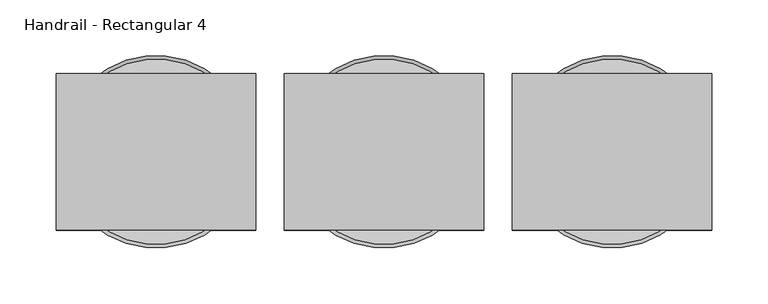
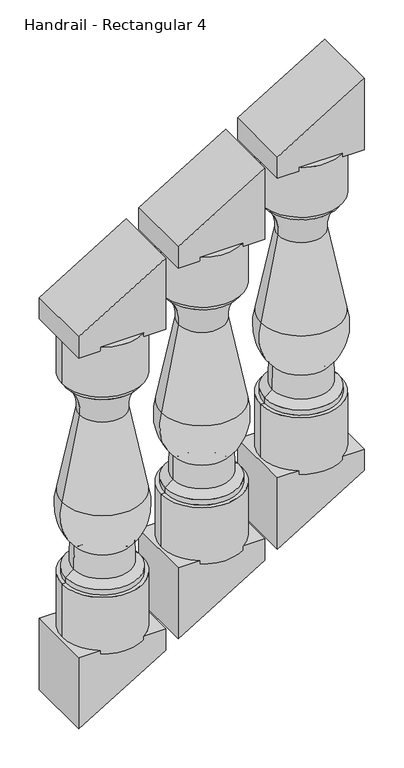
"""IFC4 building model written with IfcOpenShell, lengths in millimetres: railing geometry, Handrail - Rectangular 4."""

from ifc_helpers import new_model, si_unit, point, frame, origin, place, context, project, spatial, polyline, circle_curve, ellipse_curve, trimmed, outline, extrude, source, transform, mapped, element, save
from ifc_brep_helpers import plane_surface, cylinder_surface, revolved_surface, advanced_brep


def handrail_rectangular_4_807c8b89(model_context):
    return source(origin(), model_context, "Body", "SolidModel", [
        advanced_brep(
        [(11362.5527138, 4021.0919589, 1344.1295479), (11527.6527138, 4021.0919589, 1344.1295479), (11445.1027138, 4021.0919589, 1344.1295479), (11362.5527138, 4021.0919589, 1236.1795479), (11527.6527138, 4021.0919589, 1236.1795479), (11370.4902138, 4021.0919589, 1236.1795479), (11519.7152138, 4021.0919589, 1236.1795479), (11370.4902138, 4021.0919589, 1225.0670479), (11519.7152138, 4021.0919589, 1225.0670479), (11398.2714638, 4021.0919589, 1156.8045479), (11491.9339638, 4021.0919589, 1156.8045479), (11363.3464638, 4021.0919589, 979.0045479), (11526.8589638, 4021.0919589, 979.0045479), (11387.1589638, 4021.0919589, 877.4045479), (11503.0464638, 4021.0919589, 877.4045479), (11386.3652138, 4021.0919589, 826.6045479), (11503.8402138, 4021.0919589, 826.6045479), (11370.4902138, 4021.0919589, 813.9045479), (11519.7152138, 4021.0919589, 813.9045479), (11370.4902138, 4021.0919589, 802.7920479), (11519.7152138, 4021.0919589, 802.7920479), (11362.5527138, 4021.0919589, 802.7920479), (11527.6527138, 4021.0919589, 802.7920479), (11362.5527138, 4021.0919589, 680.5545479), (11527.6527138, 4021.0919589, 680.5545479), (11445.1027138, 4021.0919589, 680.5545479)],
        [
            (0, 1, circle_curve(frame((11445.1027138, 4021.0919589, 1344.1295479), z_axis=(0.0, 0.0, 1.0), x_axis=(1.0, 0.0, 0.0)), 82.55)),
            (1, 2),
            (2, 0),
            (1, 0, circle_curve(frame((11445.1027138, 4021.0919589, 1344.1295479), z_axis=(0.0, 0.0, 1.0), x_axis=(1.0, 0.0, 0.0)), 82.55)),
            (3, 4, circle_curve(frame((11445.1027138, 4021.0919589, 1236.1795479), z_axis=(0.0, 0.0, 1.0), x_axis=(1.0, 0.0, 0.0)), 82.55)),
            (4, 1),
            (0, 3),
            (4, 3, circle_curve(frame((11445.1027138, 4021.0919589, 1236.1795479), z_axis=(0.0, 0.0, 1.0), x_axis=(1.0, 0.0, 0.0)), 82.55)),
            (5, 6, circle_curve(frame((11445.1027138, 4021.0919589, 1236.1795479), z_axis=(0.0, 0.0, 1.0), x_axis=(1.0, 0.0, 0.0)), 74.6125)),
            (6, 4),
            (3, 5),
            (6, 5, circle_curve(frame((11445.1027138, 4021.0919589, 1236.1795479), z_axis=(0.0, 0.0, 1.0), x_axis=(1.0, 0.0, 0.0)), 74.6125)),
            (7, 8, circle_curve(frame((11445.1027138, 4021.0919589, 1225.0670479), z_axis=(0.0, 0.0, 1.0), x_axis=(1.0, 0.0, 0.0)), 74.6125)),
            (8, 6),
            (5, 7),
            (8, 7, circle_curve(frame((11445.1027138, 4021.0919589, 1225.0670479), z_axis=(0.0, 0.0, 1.0), x_axis=(1.0, 0.0, 0.0)), 74.6125)),
            (9, 10, circle_curve(frame((11445.1027138, 4021.0919589, 1156.8045479), z_axis=(0.0, 0.0, 1.0), x_axis=(1.0, 0.0, 0.0)), 46.83125)),
            (10, 8, circle_curve(frame((11571.1079484, 4021.0919589, 1164.3669887), z_axis=(0.0, 1.0, 0.0), x_axis=(-1.0, 0.0, 0.0)), 79.5343344)),
            (7, 9, circle_curve(frame((11319.0974791, 4021.0919589, 1164.3669887), z_axis=(0.0, 1.0, 0.0), x_axis=(1.0, 0.0, 0.0)), 79.5343344)),
            (10, 9, circle_curve(frame((11445.1027138, 4021.0919589, 1156.8045479), z_axis=(0.0, 0.0, 1.0), x_axis=(1.0, 0.0, 0.0)), 46.83125)),
            (11, 12, circle_curve(frame((11445.1027138, 4021.0919589, 979.0045479), z_axis=(0.0, 0.0, 1.0), x_axis=(1.0, 0.0, 0.0)), 81.75625)),
            (12, 10, circle_curve(frame((12406.8924187, 4021.0919589, 1244.1983961), z_axis=(0.0, 1.0, 0.0), x_axis=(-1.0, 0.0, 0.0)), 919.122766)),
            (9, 11, circle_curve(frame((10483.3130088, 4021.0919589, 1244.1983961), z_axis=(0.0, 1.0, 0.0), x_axis=(1.0, 0.0, 0.0)), 919.122766)),
            (12, 11, circle_curve(frame((11445.1027138, 4021.0919589, 979.0045479), z_axis=(0.0, 0.0, 1.0), x_axis=(1.0, 0.0, 0.0)), 81.75625)),
            (13, 14, circle_curve(frame((11445.1027138, 4021.0919589, 877.4045479), z_axis=(0.0, 0.0, 1.0), x_axis=(1.0, 0.0, 0.0)), 57.94375)),
            (14, 12, circle_curve(frame((11426.8244151, 4021.0919589, 948.8596178), z_axis=(0.0, -1.0, 0.0), x_axis=(-1.0, 0.0, 0.0)), 104.4778815)),
            (11, 13, circle_curve(frame((11463.3810124, 4021.0919589, 948.8596178), z_axis=(0.0, -1.0, 0.0), x_axis=(1.0, 0.0, 0.0)), 104.4778815)),
            (14, 13, circle_curve(frame((11445.1027138, 4021.0919589, 877.4045479), z_axis=(0.0, 0.0, 1.0), x_axis=(1.0, 0.0, 0.0)), 57.94375)),
            (15, 16, circle_curve(frame((11445.1027138, 4021.0919589, 826.6045479), z_axis=(0.0, 0.0, 1.0), x_axis=(1.0, 0.0, 0.0)), 58.7375)),
            (16, 14),
            (13, 15),
            (16, 15, circle_curve(frame((11445.1027138, 4021.0919589, 826.6045479), z_axis=(0.0, 0.0, 1.0), x_axis=(1.0, 0.0, 0.0)), 58.7375)),
            (17, 18, circle_curve(frame((11445.1027138, 4021.0919589, 813.9045479), z_axis=(0.0, 0.0, 1.0), x_axis=(1.0, 0.0, 0.0)), 74.6125)),
            (18, 16),
            (15, 17),
            (18, 17, circle_curve(frame((11445.1027138, 4021.0919589, 813.9045479), z_axis=(0.0, 0.0, 1.0), x_axis=(1.0, 0.0, 0.0)), 74.6125)),
            (19, 20, circle_curve(frame((11445.1027138, 4021.0919589, 802.7920479), z_axis=(0.0, 0.0, 1.0), x_axis=(1.0, 0.0, 0.0)), 74.6125)),
            (20, 18),
            (17, 19),
            (20, 19, circle_curve(frame((11445.1027138, 4021.0919589, 802.7920479), z_axis=(0.0, 0.0, 1.0), x_axis=(1.0, 0.0, 0.0)), 74.6125)),
            (21, 22, circle_curve(frame((11445.1027138, 4021.0919589, 802.7920479), z_axis=(0.0, 0.0, 1.0), x_axis=(1.0, 0.0, 0.0)), 82.55)),
            (22, 20),
            (19, 21),
            (22, 21, circle_curve(frame((11445.1027138, 4021.0919589, 802.7920479), z_axis=(0.0, 0.0, 1.0), x_axis=(1.0, 0.0, 0.0)), 82.55)),
            (23, 24, circle_curve(frame((11445.1027138, 4021.0919589, 680.5545479), z_axis=(0.0, 0.0, 1.0), x_axis=(1.0, 0.0, 0.0)), 82.55)),
            (24, 22),
            (21, 23),
            (24, 23, circle_curve(frame((11445.1027138, 4021.0919589, 680.5545479), z_axis=(0.0, 0.0, 1.0), x_axis=(1.0, 0.0, 0.0)), 82.55)),
            (25, 24),
            (23, 25),
        ],
        [
            plane_surface(frame((11445.1027138, 4021.0919589, 1344.1295479), z_axis=(0.0, 0.0, 1.0), x_axis=(1.0, 0.0, 0.0))),
            cylinder_surface(frame((11445.1027138, 4021.0919589, 1309.2045479), z_axis=(0.0, 0.0, -1.0), x_axis=(1.0, 0.0, 0.0)), 82.55),
            plane_surface(frame((11445.1027138, 4021.0919589, 1236.1795479), z_axis=(0.0, 0.0, -1.0), x_axis=(1.0, 0.0, 0.0))),
            cylinder_surface(frame((11445.1027138, 4021.0919589, 1309.2045479), z_axis=(0.0, 0.0, -1.0), x_axis=(1.0, 0.0, 0.0)), 74.6125),
            revolved_surface(trimmed(ellipse_curve(frame((11571.1079484, 4021.0919589, 1164.3669887), z_axis=(0.0, -1.0, 0.0), x_axis=(-1.0, 0.0, 0.0)), 79.5343344, 79.5343344), [point((11519.7152138, 4021.0919589, 1225.0670479))], [point((11491.9339638, 4021.0919589, 1156.8045479))], True, "CARTESIAN"), (11445.1027138, 4021.0919589, 1309.2045479), (0.0, 0.0, -1.0)),
            revolved_surface(trimmed(ellipse_curve(frame((12406.8924187, 4021.0919589, 1244.1983961), z_axis=(0.0, -1.0, 0.0), x_axis=(-1.0, 0.0, 0.0)), 919.122766, 919.122766), [point((11491.9339638, 4021.0919589, 1156.8045479))], [point((11526.8589638, 4021.0919589, 979.0045479))], True, "CARTESIAN"), (11445.1027138, 4021.0919589, 1309.2045479), (0.0, 0.0, -1.0)),
            revolved_surface(trimmed(ellipse_curve(frame((11426.8244151, 4021.0919589, 948.8596178), z_axis=(0.0, 1.0, 0.0), x_axis=(-1.0, 0.0, 0.0)), 104.4778815, 104.4778815), [point((11526.8589638, 4021.0919589, 979.0045479))], [point((11503.0464638, 4021.0919589, 877.4045479))], True, "CARTESIAN"), (11445.1027138, 4021.0919589, 1309.2045479), (0.0, 0.0, -1.0)),
            revolved_surface(polyline([(11503.0464638, 4021.0919589, 877.4045479), (11503.8402138, 4021.0919589, 826.6045479)]), (11445.1027138, 4021.0919589, 1309.2045479), (0.0, 0.0, -1.0)),
            revolved_surface(polyline([(11503.8402138, 4021.0919589, 826.6045479), (11519.7152138, 4021.0919589, 813.9045479)]), (11445.1027138, 4021.0919589, 1309.2045479), (0.0, 0.0, -1.0)),
            plane_surface(frame((11445.1027138, 4021.0919589, 802.7920479), z_axis=(0.0, 0.0, 1.0), x_axis=(1.0, 0.0, 0.0))),
            plane_surface(frame((11445.1027138, 4021.0919589, 680.5545479), z_axis=(0.0, 0.0, -1.0), x_axis=(1.0, 0.0, 0.0))),
        ],
        [
            (0, [[1, 2, 3]]),
            (0, [[4, -3, -2]]),
            (1, [[5, 6, -1, 7]]),
            (1, [[8, -7, -4, -6]]),
            (2, [[9, 10, -5, 11]]),
            (2, [[12, -11, -8, -10]]),
            (3, [[13, 14, -9, 15]]),
            (3, [[16, -15, -12, -14]]),
            (4, [[17, 18, -13, 19]]),
            (4, [[20, -19, -16, -18]]),
            (5, [[21, 22, -17, 23]]),
            (5, [[24, -23, -20, -22]]),
            (6, [[25, 26, -21, 27]]),
            (6, [[28, -27, -24, -26]]),
            (7, [[29, 30, -25, 31]]),
            (7, [[32, -31, -28, -30]]),
            (8, [[33, 34, -29, 35]]),
            (8, [[36, -35, -32, -34]]),
            (3, [[37, 38, -33, 39]]),
            (3, [[40, -39, -36, -38]]),
            (9, [[41, 42, -37, 43]]),
            (9, [[44, -43, -40, -42]]),
            (1, [[45, 46, -41, 47]]),
            (1, [[48, -47, -44, -46]]),
            (10, [[49, -45, 50]]),
            (10, [[-50, -48, -49]]),
        ],
    ),
        extrude(outline(polyline([(688.3496212, 11534.0027138), (688.3496212, 11356.2027138), (534.4583333, 11356.2027138), (642.2159091, 11534.0027138), (688.3496212, 11534.0027138)])), frame((0.0, 3951.2419589, 0.0), z_axis=(0.0, 1.0, 0.0), x_axis=(0.0, 0.0, 1.0)), (0.0, 0.0, 1.0), 139.7),
        extrude(outline(polyline([(1336.3344745, 11356.2027138), (1336.3344745, 11534.0027138), (1490.2257624, 11534.0027138), (1382.4681866, 11356.2027138), (1336.3344745, 11356.2027138)])), frame((0.0, 3951.2419589, 0.0), z_axis=(0.0, 1.0, 0.0), x_axis=(0.0, 0.0, 1.0)), (0.0, 0.0, 1.0), 139.7),
        advanced_brep(
        [(11159.3527138, 4021.0919589, 1220.9780327), (11324.4527138, 4021.0919589, 1220.9780327), (11241.9027138, 4021.0919589, 1220.9780327), (11159.3527138, 4021.0919589, 1113.0280327), (11324.4527138, 4021.0919589, 1113.0280327), (11167.2902138, 4021.0919589, 1113.0280327), (11316.5152138, 4021.0919589, 1113.0280327), (11167.2902138, 4021.0919589, 1101.9155327), (11316.5152138, 4021.0919589, 1101.9155327), (11195.0714638, 4021.0919589, 1033.6530327), (11288.7339638, 4021.0919589, 1033.6530327), (11160.1464638, 4021.0919589, 855.8530327), (11323.6589638, 4021.0919589, 855.8530327), (11183.9589638, 4021.0919589, 754.2530327), (11299.8464638, 4021.0919589, 754.2530327), (11183.1652138, 4021.0919589, 703.4530327), (11300.6402138, 4021.0919589, 703.4530327), (11167.2902138, 4021.0919589, 690.7530327), (11316.5152138, 4021.0919589, 690.7530327), (11167.2902138, 4021.0919589, 679.6405327), (11316.5152138, 4021.0919589, 679.6405327), (11159.3527138, 4021.0919589, 679.6405327), (11324.4527138, 4021.0919589, 679.6405327), (11159.3527138, 4021.0919589, 557.4030327), (11324.4527138, 4021.0919589, 557.4030327), (11241.9027138, 4021.0919589, 557.4030327)],
        [
            (0, 1, circle_curve(frame((11241.9027138, 4021.0919589, 1220.9780327), z_axis=(0.0, 0.0, 1.0), x_axis=(1.0, 0.0, 0.0)), 82.55)),
            (1, 2),
            (2, 0),
            (1, 0, circle_curve(frame((11241.9027138, 4021.0919589, 1220.9780327), z_axis=(0.0, 0.0, 1.0), x_axis=(1.0, 0.0, 0.0)), 82.55)),
            (3, 4, circle_curve(frame((11241.9027138, 4021.0919589, 1113.0280327), z_axis=(0.0, 0.0, 1.0), x_axis=(1.0, 0.0, 0.0)), 82.55)),
            (4, 1),
            (0, 3),
            (4, 3, circle_curve(frame((11241.9027138, 4021.0919589, 1113.0280327), z_axis=(0.0, 0.0, 1.0), x_axis=(1.0, 0.0, 0.0)), 82.55)),
            (5, 6, circle_curve(frame((11241.9027138, 4021.0919589, 1113.0280327), z_axis=(0.0, 0.0, 1.0), x_axis=(1.0, 0.0, 0.0)), 74.6125)),
            (6, 4),
            (3, 5),
            (6, 5, circle_curve(frame((11241.9027138, 4021.0919589, 1113.0280327), z_axis=(0.0, 0.0, 1.0), x_axis=(1.0, 0.0, 0.0)), 74.6125)),
            (7, 8, circle_curve(frame((11241.9027138, 4021.0919589, 1101.9155327), z_axis=(0.0, 0.0, 1.0), x_axis=(1.0, 0.0, 0.0)), 74.6125)),
            (8, 6),
            (5, 7),
            (8, 7, circle_curve(frame((11241.9027138, 4021.0919589, 1101.9155327), z_axis=(0.0, 0.0, 1.0), x_axis=(1.0, 0.0, 0.0)), 74.6125)),
            (9, 10, circle_curve(frame((11241.9027138, 4021.0919589, 1033.6530327), z_axis=(0.0, 0.0, 1.0), x_axis=(1.0, 0.0, 0.0)), 46.83125)),
            (10, 8, circle_curve(frame((11367.9079484, 4021.0919589, 1041.2154736), z_axis=(0.0, 1.0, 0.0), x_axis=(-1.0, 0.0, 0.0)), 79.5343344)),
            (7, 9, circle_curve(frame((11115.8974791, 4021.0919589, 1041.2154736), z_axis=(0.0, 1.0, 0.0), x_axis=(1.0, 0.0, 0.0)), 79.5343344)),
            (10, 9, circle_curve(frame((11241.9027138, 4021.0919589, 1033.6530327), z_axis=(0.0, 0.0, 1.0), x_axis=(1.0, 0.0, 0.0)), 46.83125)),
            (11, 12, circle_curve(frame((11241.9027138, 4021.0919589, 855.8530327), z_axis=(0.0, 0.0, 1.0), x_axis=(1.0, 0.0, 0.0)), 81.75625)),
            (12, 10, circle_curve(frame((12203.6924187, 4021.0919589, 1121.046881), z_axis=(0.0, 1.0, 0.0), x_axis=(-1.0, 0.0, 0.0)), 919.122766)),
            (9, 11, circle_curve(frame((10280.1130088, 4021.0919589, 1121.046881), z_axis=(0.0, 1.0, 0.0), x_axis=(1.0, 0.0, 0.0)), 919.122766)),
            (12, 11, circle_curve(frame((11241.9027138, 4021.0919589, 855.8530327), z_axis=(0.0, 0.0, 1.0), x_axis=(1.0, 0.0, 0.0)), 81.75625)),
            (13, 14, circle_curve(frame((11241.9027138, 4021.0919589, 754.2530327), z_axis=(0.0, 0.0, 1.0), x_axis=(1.0, 0.0, 0.0)), 57.94375)),
            (14, 12, circle_curve(frame((11223.6244151, 4021.0919589, 825.7081027), z_axis=(0.0, -1.0, 0.0), x_axis=(-1.0, 0.0, 0.0)), 104.4778815)),
            (11, 13, circle_curve(frame((11260.1810124, 4021.0919589, 825.7081027), z_axis=(0.0, -1.0, 0.0), x_axis=(1.0, 0.0, 0.0)), 104.4778815)),
            (14, 13, circle_curve(frame((11241.9027138, 4021.0919589, 754.2530327), z_axis=(0.0, 0.0, 1.0), x_axis=(1.0, 0.0, 0.0)), 57.94375)),
            (15, 16, circle_curve(frame((11241.9027138, 4021.0919589, 703.4530327), z_axis=(0.0, 0.0, 1.0), x_axis=(1.0, 0.0, 0.0)), 58.7375)),
            (16, 14),
            (13, 15),
            (16, 15, circle_curve(frame((11241.9027138, 4021.0919589, 703.4530327), z_axis=(0.0, 0.0, 1.0), x_axis=(1.0, 0.0, 0.0)), 58.7375)),
            (17, 18, circle_curve(frame((11241.9027138, 4021.0919589, 690.7530327), z_axis=(0.0, 0.0, 1.0), x_axis=(1.0, 0.0, 0.0)), 74.6125)),
            (18, 16),
            (15, 17),
            (18, 17, circle_curve(frame((11241.9027138, 4021.0919589, 690.7530327), z_axis=(0.0, 0.0, 1.0), x_axis=(1.0, 0.0, 0.0)), 74.6125)),
            (19, 20, circle_curve(frame((11241.9027138, 4021.0919589, 679.6405327), z_axis=(0.0, 0.0, 1.0), x_axis=(1.0, 0.0, 0.0)), 74.6125)),
            (20, 18),
            (17, 19),
            (20, 19, circle_curve(frame((11241.9027138, 4021.0919589, 679.6405327), z_axis=(0.0, 0.0, 1.0), x_axis=(1.0, 0.0, 0.0)), 74.6125)),
            (21, 22, circle_curve(frame((11241.9027138, 4021.0919589, 679.6405327), z_axis=(0.0, 0.0, 1.0), x_axis=(1.0, 0.0, 0.0)), 82.55)),
            (22, 20),
            (19, 21),
            (22, 21, circle_curve(frame((11241.9027138, 4021.0919589, 679.6405327), z_axis=(0.0, 0.0, 1.0), x_axis=(1.0, 0.0, 0.0)), 82.55)),
            (23, 24, circle_curve(frame((11241.9027138, 4021.0919589, 557.4030327), z_axis=(0.0, 0.0, 1.0), x_axis=(1.0, 0.0, 0.0)), 82.55)),
            (24, 22),
            (21, 23),
            (24, 23, circle_curve(frame((11241.9027138, 4021.0919589, 557.4030327), z_axis=(0.0, 0.0, 1.0), x_axis=(1.0, 0.0, 0.0)), 82.55)),
            (25, 24),
            (23, 25),
        ],
        [
            plane_surface(frame((11241.9027138, 4021.0919589, 1220.9780327), z_axis=(0.0, 0.0, 1.0), x_axis=(1.0, 0.0, 0.0))),
            cylinder_surface(frame((11241.9027138, 4021.0919589, 1186.0530327), z_axis=(0.0, 0.0, -1.0), x_axis=(1.0, 0.0, 0.0)), 82.55),
            plane_surface(frame((11241.9027138, 4021.0919589, 1113.0280327), z_axis=(0.0, 0.0, -1.0), x_axis=(1.0, 0.0, 0.0))),
            cylinder_surface(frame((11241.9027138, 4021.0919589, 1186.0530327), z_axis=(0.0, 0.0, -1.0), x_axis=(1.0, 0.0, 0.0)), 74.6125),
            revolved_surface(trimmed(ellipse_curve(frame((11367.9079484, 4021.0919589, 1041.2154736), z_axis=(0.0, -1.0, 0.0), x_axis=(-1.0, 0.0, 0.0)), 79.5343344, 79.5343344), [point((11316.5152138, 4021.0919589, 1101.9155327))], [point((11288.7339638, 4021.0919589, 1033.6530327))], True, "CARTESIAN"), (11241.9027138, 4021.0919589, 1186.0530327), (0.0, 0.0, -1.0)),
            revolved_surface(trimmed(ellipse_curve(frame((12203.6924187, 4021.0919589, 1121.046881), z_axis=(0.0, -1.0, 0.0), x_axis=(-1.0, 0.0, 0.0)), 919.122766, 919.122766), [point((11288.7339638, 4021.0919589, 1033.6530327))], [point((11323.6589638, 4021.0919589, 855.8530327))], True, "CARTESIAN"), (11241.9027138, 4021.0919589, 1186.0530327), (0.0, 0.0, -1.0)),
            revolved_surface(trimmed(ellipse_curve(frame((11223.6244151, 4021.0919589, 825.7081027), z_axis=(0.0, 1.0, 0.0), x_axis=(-1.0, 0.0, 0.0)), 104.4778815, 104.4778815), [point((11323.6589638, 4021.0919589, 855.8530327))], [point((11299.8464638, 4021.0919589, 754.2530327))], True, "CARTESIAN"), (11241.9027138, 4021.0919589, 1186.0530327), (0.0, 0.0, -1.0)),
            revolved_surface(polyline([(11299.8464638, 4021.0919589, 754.2530327), (11300.6402138, 4021.0919589, 703.4530327)]), (11241.9027138, 4021.0919589, 1186.0530327), (0.0, 0.0, -1.0)),
            revolved_surface(polyline([(11300.6402138, 4021.0919589, 703.4530327), (11316.5152138, 4021.0919589, 690.7530327)]), (11241.9027138, 4021.0919589, 1186.0530327), (0.0, 0.0, -1.0)),
            plane_surface(frame((11241.9027138, 4021.0919589, 679.6405327), z_axis=(0.0, 0.0, 1.0), x_axis=(1.0, 0.0, 0.0))),
            plane_surface(frame((11241.9027138, 4021.0919589, 557.4030327), z_axis=(0.0, 0.0, -1.0), x_axis=(1.0, 0.0, 0.0))),
        ],
        [
            (0, [[1, 2, 3]]),
            (0, [[4, -3, -2]]),
            (1, [[5, 6, -1, 7]]),
            (1, [[8, -7, -4, -6]]),
            (2, [[9, 10, -5, 11]]),
            (2, [[12, -11, -8, -10]]),
            (3, [[13, 14, -9, 15]]),
            (3, [[16, -15, -12, -14]]),
            (4, [[17, 18, -13, 19]]),
            (4, [[20, -19, -16, -18]]),
            (5, [[21, 22, -17, 23]]),
            (5, [[24, -23, -20, -22]]),
            (6, [[25, 26, -21, 27]]),
            (6, [[28, -27, -24, -26]]),
            (7, [[29, 30, -25, 31]]),
            (7, [[32, -31, -28, -30]]),
            (8, [[33, 34, -29, 35]]),
            (8, [[36, -35, -32, -34]]),
            (3, [[37, 38, -33, 39]]),
            (3, [[40, -39, -36, -38]]),
            (9, [[41, 42, -37, 43]]),
            (9, [[44, -43, -40, -42]]),
            (1, [[45, 46, -41, 47]]),
            (1, [[48, -47, -44, -46]]),
            (10, [[49, -45, 50]]),
            (10, [[-50, -48, -49]]),
        ],
    ),
        extrude(outline(polyline([(565.1981061, 11330.8027138), (565.1981061, 11153.0027138), (411.3068182, 11153.0027138), (519.0643939, 11330.8027138), (565.1981061, 11330.8027138)])), frame((0.0, 3951.2419589, 0.0), z_axis=(0.0, 1.0, 0.0), x_axis=(0.0, 0.0, 1.0)), (0.0, 0.0, 1.0), 139.7),
        extrude(outline(polyline([(1213.1829594, 11153.0027138), (1213.1829594, 11330.8027138), (1367.0742472, 11330.8027138), (1259.3166715, 11153.0027138), (1213.1829594, 11153.0027138)])), frame((0.0, 3951.2419589, 0.0), z_axis=(0.0, 1.0, 0.0), x_axis=(0.0, 0.0, 1.0)), (0.0, 0.0, 1.0), 139.7),
        advanced_brep(
        [(10956.1527138, 4021.0919589, 1097.8265176), (11121.2527138, 4021.0919589, 1097.8265176), (11038.7027138, 4021.0919589, 1097.8265176), (10956.1527138, 4021.0919589, 989.8765176), (11121.2527138, 4021.0919589, 989.8765176), (10964.0902138, 4021.0919589, 989.8765176), (11113.3152138, 4021.0919589, 989.8765176), (10964.0902138, 4021.0919589, 978.7640176), (11113.3152138, 4021.0919589, 978.7640176), (10991.8714638, 4021.0919589, 910.5015176), (11085.5339638, 4021.0919589, 910.5015176), (10956.9464638, 4021.0919589, 732.7015176), (11120.4589638, 4021.0919589, 732.7015176), (10980.7589638, 4021.0919589, 631.1015176), (11096.6464638, 4021.0919589, 631.1015176), (10979.9652138, 4021.0919589, 580.3015176), (11097.4402138, 4021.0919589, 580.3015176), (10964.0902138, 4021.0919589, 567.6015176), (11113.3152138, 4021.0919589, 567.6015176), (10964.0902138, 4021.0919589, 556.4890176), (11113.3152138, 4021.0919589, 556.4890176), (10956.1527138, 4021.0919589, 556.4890176), (11121.2527138, 4021.0919589, 556.4890176), (10956.1527138, 4021.0919589, 434.2515176), (11121.2527138, 4021.0919589, 434.2515176), (11038.7027138, 4021.0919589, 434.2515176)],
        [
            (0, 1, circle_curve(frame((11038.7027138, 4021.0919589, 1097.8265176), z_axis=(0.0, 0.0, 1.0), x_axis=(1.0, 0.0, 0.0)), 82.55)),
            (1, 2),
            (2, 0),
            (1, 0, circle_curve(frame((11038.7027138, 4021.0919589, 1097.8265176), z_axis=(0.0, 0.0, 1.0), x_axis=(1.0, 0.0, 0.0)), 82.55)),
            (3, 4, circle_curve(frame((11038.7027138, 4021.0919589, 989.8765176), z_axis=(0.0, 0.0, 1.0), x_axis=(1.0, 0.0, 0.0)), 82.55)),
            (4, 1),
            (0, 3),
            (4, 3, circle_curve(frame((11038.7027138, 4021.0919589, 989.8765176), z_axis=(0.0, 0.0, 1.0), x_axis=(1.0, 0.0, 0.0)), 82.55)),
            (5, 6, circle_curve(frame((11038.7027138, 4021.0919589, 989.8765176), z_axis=(0.0, 0.0, 1.0), x_axis=(1.0, 0.0, 0.0)), 74.6125)),
            (6, 4),
            (3, 5),
            (6, 5, circle_curve(frame((11038.7027138, 4021.0919589, 989.8765176), z_axis=(0.0, 0.0, 1.0), x_axis=(1.0, 0.0, 0.0)), 74.6125)),
            (7, 8, circle_curve(frame((11038.7027138, 4021.0919589, 978.7640176), z_axis=(0.0, 0.0, 1.0), x_axis=(1.0, 0.0, 0.0)), 74.6125)),
            (8, 6),
            (5, 7),
            (8, 7, circle_curve(frame((11038.7027138, 4021.0919589, 978.7640176), z_axis=(0.0, 0.0, 1.0), x_axis=(1.0, 0.0, 0.0)), 74.6125)),
            (9, 10, circle_curve(frame((11038.7027138, 4021.0919589, 910.5015176), z_axis=(0.0, 0.0, 1.0), x_axis=(1.0, 0.0, 0.0)), 46.83125)),
            (10, 8, circle_curve(frame((11164.7079484, 4021.0919589, 918.0639584), z_axis=(0.0, 1.0, 0.0), x_axis=(-1.0, 0.0, 0.0)), 79.5343344)),
            (7, 9, circle_curve(frame((10912.6974791, 4021.0919589, 918.0639584), z_axis=(0.0, 1.0, 0.0), x_axis=(1.0, 0.0, 0.0)), 79.5343344)),
            (10, 9, circle_curve(frame((11038.7027138, 4021.0919589, 910.5015176), z_axis=(0.0, 0.0, 1.0), x_axis=(1.0, 0.0, 0.0)), 46.83125)),
            (11, 12, circle_curve(frame((11038.7027138, 4021.0919589, 732.7015176), z_axis=(0.0, 0.0, 1.0), x_axis=(1.0, 0.0, 0.0)), 81.75625)),
            (12, 10, circle_curve(frame((12000.4924187, 4021.0919589, 997.8953658), z_axis=(0.0, 1.0, 0.0), x_axis=(-1.0, 0.0, 0.0)), 919.122766)),
            (9, 11, circle_curve(frame((10076.9130088, 4021.0919589, 997.8953658), z_axis=(0.0, 1.0, 0.0), x_axis=(1.0, 0.0, 0.0)), 919.122766)),
            (12, 11, circle_curve(frame((11038.7027138, 4021.0919589, 732.7015176), z_axis=(0.0, 0.0, 1.0), x_axis=(1.0, 0.0, 0.0)), 81.75625)),
            (13, 14, circle_curve(frame((11038.7027138, 4021.0919589, 631.1015176), z_axis=(0.0, 0.0, 1.0), x_axis=(1.0, 0.0, 0.0)), 57.94375)),
            (14, 12, circle_curve(frame((11020.4244151, 4021.0919589, 702.5565875), z_axis=(0.0, -1.0, 0.0), x_axis=(-1.0, 0.0, 0.0)), 104.4778815)),
            (11, 13, circle_curve(frame((11056.9810124, 4021.0919589, 702.5565875), z_axis=(0.0, -1.0, 0.0), x_axis=(1.0, 0.0, 0.0)), 104.4778815)),
            (14, 13, circle_curve(frame((11038.7027138, 4021.0919589, 631.1015176), z_axis=(0.0, 0.0, 1.0), x_axis=(1.0, 0.0, 0.0)), 57.94375)),
            (15, 16, circle_curve(frame((11038.7027138, 4021.0919589, 580.3015176), z_axis=(0.0, 0.0, 1.0), x_axis=(1.0, 0.0, 0.0)), 58.7375)),
            (16, 14),
            (13, 15),
            (16, 15, circle_curve(frame((11038.7027138, 4021.0919589, 580.3015176), z_axis=(0.0, 0.0, 1.0), x_axis=(1.0, 0.0, 0.0)), 58.7375)),
            (17, 18, circle_curve(frame((11038.7027138, 4021.0919589, 567.6015176), z_axis=(0.0, 0.0, 1.0), x_axis=(1.0, 0.0, 0.0)), 74.6125)),
            (18, 16),
            (15, 17),
            (18, 17, circle_curve(frame((11038.7027138, 4021.0919589, 567.6015176), z_axis=(0.0, 0.0, 1.0), x_axis=(1.0, 0.0, 0.0)), 74.6125)),
            (19, 20, circle_curve(frame((11038.7027138, 4021.0919589, 556.4890176), z_axis=(0.0, 0.0, 1.0), x_axis=(1.0, 0.0, 0.0)), 74.6125)),
            (20, 18),
            (17, 19),
            (20, 19, circle_curve(frame((11038.7027138, 4021.0919589, 556.4890176), z_axis=(0.0, 0.0, 1.0), x_axis=(1.0, 0.0, 0.0)), 74.6125)),
            (21, 22, circle_curve(frame((11038.7027138, 4021.0919589, 556.4890176), z_axis=(0.0, 0.0, 1.0), x_axis=(1.0, 0.0, 0.0)), 82.55)),
            (22, 20),
            (19, 21),
            (22, 21, circle_curve(frame((11038.7027138, 4021.0919589, 556.4890176), z_axis=(0.0, 0.0, 1.0), x_axis=(1.0, 0.0, 0.0)), 82.55)),
            (23, 24, circle_curve(frame((11038.7027138, 4021.0919589, 434.2515176), z_axis=(0.0, 0.0, 1.0), x_axis=(1.0, 0.0, 0.0)), 82.55)),
            (24, 22),
            (21, 23),
            (24, 23, circle_curve(frame((11038.7027138, 4021.0919589, 434.2515176), z_axis=(0.0, 0.0, 1.0), x_axis=(1.0, 0.0, 0.0)), 82.55)),
            (25, 24),
            (23, 25),
        ],
        [
            plane_surface(frame((11038.7027138, 4021.0919589, 1097.8265176), z_axis=(0.0, 0.0, 1.0), x_axis=(1.0, 0.0, 0.0))),
            cylinder_surface(frame((11038.7027138, 4021.0919589, 1062.9015176), z_axis=(0.0, 0.0, -1.0), x_axis=(1.0, 0.0, 0.0)), 82.55),
            plane_surface(frame((11038.7027138, 4021.0919589, 989.8765176), z_axis=(0.0, 0.0, -1.0), x_axis=(1.0, 0.0, 0.0))),
            cylinder_surface(frame((11038.7027138, 4021.0919589, 1062.9015176), z_axis=(0.0, 0.0, -1.0), x_axis=(1.0, 0.0, 0.0)), 74.6125),
            revolved_surface(trimmed(ellipse_curve(frame((11164.7079484, 4021.0919589, 918.0639584), z_axis=(0.0, -1.0, 0.0), x_axis=(-1.0, 0.0, 0.0)), 79.5343344, 79.5343344), [point((11113.3152138, 4021.0919589, 978.7640176))], [point((11085.5339638, 4021.0919589, 910.5015176))], True, "CARTESIAN"), (11038.7027138, 4021.0919589, 1062.9015176), (0.0, 0.0, -1.0)),
            revolved_surface(trimmed(ellipse_curve(frame((12000.4924187, 4021.0919589, 997.8953658), z_axis=(0.0, -1.0, 0.0), x_axis=(-1.0, 0.0, 0.0)), 919.122766, 919.122766), [point((11085.5339638, 4021.0919589, 910.5015176))], [point((11120.4589638, 4021.0919589, 732.7015176))], True, "CARTESIAN"), (11038.7027138, 4021.0919589, 1062.9015176), (0.0, 0.0, -1.0)),
            revolved_surface(trimmed(ellipse_curve(frame((11020.4244151, 4021.0919589, 702.5565875), z_axis=(0.0, 1.0, 0.0), x_axis=(-1.0, 0.0, 0.0)), 104.4778815, 104.4778815), [point((11120.4589638, 4021.0919589, 732.7015176))], [point((11096.6464638, 4021.0919589, 631.1015176))], True, "CARTESIAN"), (11038.7027138, 4021.0919589, 1062.9015176), (0.0, 0.0, -1.0)),
            revolved_surface(polyline([(11096.6464638, 4021.0919589, 631.1015176), (11097.4402138, 4021.0919589, 580.3015176)]), (11038.7027138, 4021.0919589, 1062.9015176), (0.0, 0.0, -1.0)),
            revolved_surface(polyline([(11097.4402138, 4021.0919589, 580.3015176), (11113.3152138, 4021.0919589, 567.6015176)]), (11038.7027138, 4021.0919589, 1062.9015176), (0.0, 0.0, -1.0)),
            plane_surface(frame((11038.7027138, 4021.0919589, 556.4890176), z_axis=(0.0, 0.0, 1.0), x_axis=(1.0, 0.0, 0.0))),
            plane_surface(frame((11038.7027138, 4021.0919589, 434.2515176), z_axis=(0.0, 0.0, -1.0), x_axis=(1.0, 0.0, 0.0))),
        ],
        [
            (0, [[1, 2, 3]]),
            (0, [[4, -3, -2]]),
            (1, [[5, 6, -1, 7]]),
            (1, [[8, -7, -4, -6]]),
            (2, [[9, 10, -5, 11]]),
            (2, [[12, -11, -8, -10]]),
            (3, [[13, 14, -9, 15]]),
            (3, [[16, -15, -12, -14]]),
            (4, [[17, 18, -13, 19]]),
            (4, [[20, -19, -16, -18]]),
            (5, [[21, 22, -17, 23]]),
            (5, [[24, -23, -20, -22]]),
            (6, [[25, 26, -21, 27]]),
            (6, [[28, -27, -24, -26]]),
            (7, [[29, 30, -25, 31]]),
            (7, [[32, -31, -28, -30]]),
            (8, [[33, 34, -29, 35]]),
            (8, [[36, -35, -32, -34]]),
            (3, [[37, 38, -33, 39]]),
            (3, [[40, -39, -36, -38]]),
            (9, [[41, 42, -37, 43]]),
            (9, [[44, -43, -40, -42]]),
            (1, [[45, 46, -41, 47]]),
            (1, [[48, -47, -44, -46]]),
            (10, [[49, -45, 50]]),
            (10, [[-50, -48, -49]]),
        ],
    ),
        extrude(outline(polyline([(442.0465909, 11127.6027138), (442.0465909, 10949.8027138), (288.155303, 10949.8027138), (395.9128788, 11127.6027138), (442.0465909, 11127.6027138)])), frame((0.0, 3951.2419589, 0.0), z_axis=(0.0, 1.0, 0.0), x_axis=(0.0, 0.0, 1.0)), (0.0, 0.0, 1.0), 139.7),
        extrude(outline(polyline([(1090.0314442, 10949.8027138), (1090.0314442, 11127.6027138), (1243.9227321, 11127.6027138), (1136.1651563, 10949.8027138), (1090.0314442, 10949.8027138)])), frame((0.0, 3951.2419589, 0.0), z_axis=(0.0, 1.0, 0.0), x_axis=(0.0, 0.0, 1.0)), (0.0, 0.0, 1.0), 139.7),
    ])


if __name__ == "__main__":
    model = new_model("IFC4")
    model_context = context("Model", 3, world=origin())
    ifc_project = project(units=[si_unit("LENGTHUNIT", "METRE", prefix="MILLI")], contexts=[model_context])
    site = spatial("IfcSite", under=ifc_project)
    building = spatial("IfcBuilding", under=site)
    placement = place(None, origin())
    handrail_rectangular_4_shape = handrail_rectangular_4_807c8b89(model_context)
    element("IfcRailing", 1, ObjectType="Handrail - Rectangular 4", at=placement, inside=building, context=model_context, shape_type="MappedRepresentation", body=[
        mapped(handrail_rectangular_4_shape, transform((0.0, 0.0, 0.0), x_axis=(1.0, 0.0, 0.0), y_axis=(0.0, 1.0, 0.0), z_axis=(0.0, 0.0, 1.0))),
    ])
    save(model, "model.ifc")
